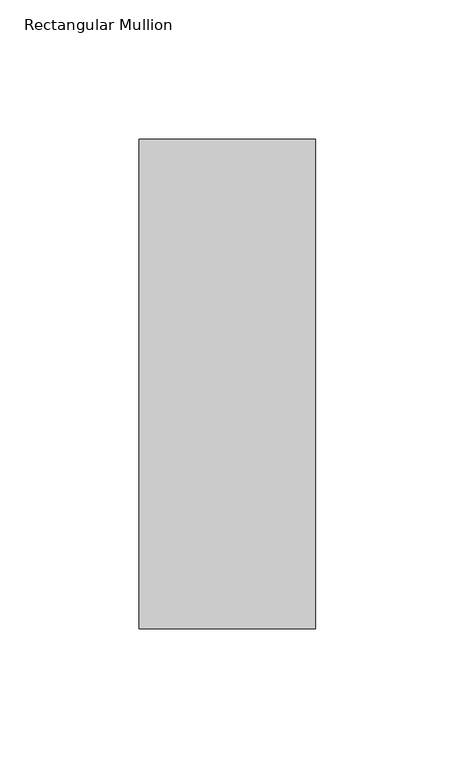
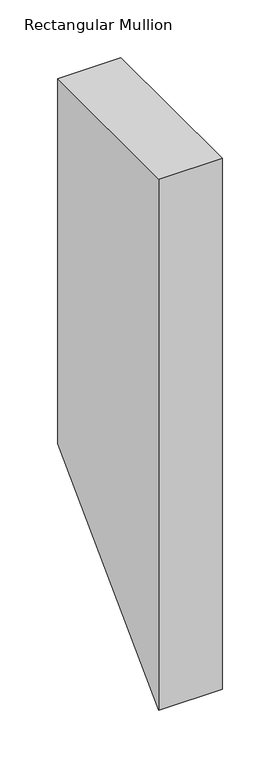
"""IFC4 building model written with IfcOpenShell, lengths in millimetres: member geometry, Rectangular Mullion."""

from ifc_helpers import new_model, si_unit, frame, origin, place, context, project, spatial, polyline, outline, extrude, source, transform, mapped, element, save


def rectangular_mullion_a206d15d(model_context):
    return source(origin(), model_context, "Body", "SweptSolid", [
        extrude(outline(polyline([(46.7447302, 0.0), (222.5381313, 0.0), (222.5381313, -387.0618687), (46.7447302, -562.8552698), (46.7447302, 0.0)])), frame((-63.5, 0.0, 0.0), z_axis=(1.0, 0.0, 0.0), x_axis=(0.0, 1.0, 0.0)), (0.0, 0.0, 1.0), 63.5),
    ])


if __name__ == "__main__":
    model = new_model("IFC4")
    model_context = context("Model", 3, world=origin())
    ifc_project = project(units=[si_unit("LENGTHUNIT", "METRE", prefix="MILLI")], contexts=[model_context])
    site = spatial("IfcSite", under=ifc_project)
    building = spatial("IfcBuilding", under=site)
    placement = place(None, origin())
    rectangular_mullion_shape = rectangular_mullion_a206d15d(model_context)
    element("IfcMember", 1, ObjectType="Rectangular Mullion", at=placement, inside=building, context=model_context, shape_type="MappedRepresentation", body=[
        mapped(rectangular_mullion_shape, transform((0.0, 0.0, 0.0), x_axis=(1.0, 0.0, 0.0), y_axis=(0.0, 1.0, 0.0), z_axis=(0.0, 0.0, 1.0))),
    ])
    save(model, "model.ifc")
